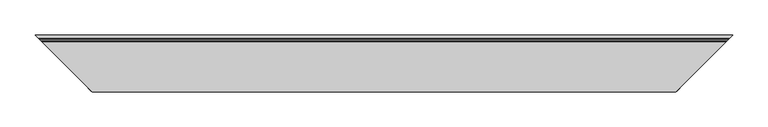
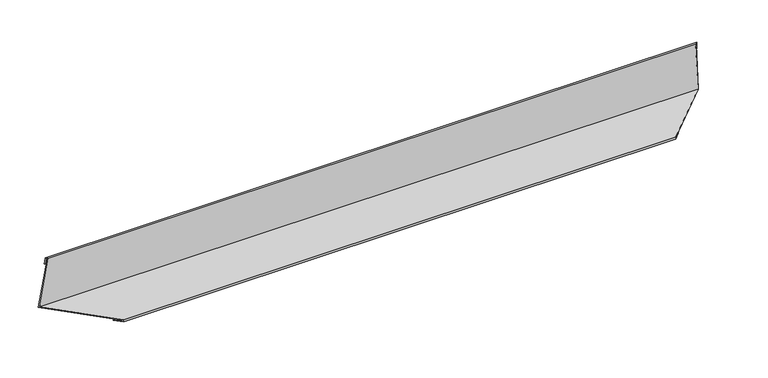
"""IFC4 building model written with IfcOpenShell, lengths in millimetres: proxy geometry."""

from ifc_helpers import new_model, si_unit, origin, place, context, project, spatial, faceted_brep, source, transform, mapped, element, save


def generic_models_74325ceb(model_context):
    return source(origin(), model_context, "Body", "Brep", [
        faceted_brep([(85.0275414, -85.0275414, 2.0), (75.0275414, -75.0275414, 2.0), (924.9724586, -75.0275414, 2.0), (914.9724586, -85.0275414, 2.0), (85.0275414, -85.0275414, 5.0), (914.9724586, -85.0275414, 5.0), (5.0275414, -5.0275414, 5.0), (994.9724586, -5.0275414, 5.0), (13.3898185, -13.3898185, 84.5617516), (986.6101815, -13.3898185, 84.5617516), (10.4062528, -10.4062528, 84.875337), (9.3609681, -9.3609681, 74.9301181), (10.35549, -10.35549, 74.8255896), (11.2962462, -11.2962462, 83.7762867), (12.2907681, -12.2907681, 83.6717582), (3.9169289, -3.9169289, 4.0), (84.0275414, -84.0275414, 4.0), (84.0275414, -84.0275414, 3.0), (75.0275414, -75.0275414, 3.0), (924.9724586, -75.0275414, 3.0), (915.9724586, -84.0275414, 3.0), (915.9724586, -84.0275414, 4.0), (996.0830711, -3.9169289, 4.0), (987.7092319, -12.2907681, 83.6717582), (988.7037538, -11.2962462, 83.7762867), (989.64451, -10.35549, 74.8255896), (990.6390319, -9.3609681, 74.9301181), (989.5937472, -10.4062528, 84.875337)], [[[0, 1, 2, 3]], [[4, 0, 3, 5]], [[6, 4, 5, 7]], [[8, 6, 7, 9]], [[1, 0, 4, 6, 8, 10, 11, 12, 13, 14, 15, 16, 17, 18]], [[3, 2, 19, 20, 21, 22, 23, 24, 25, 26, 27, 9, 7, 5]], [[10, 8, 9, 27]], [[11, 10, 27, 26]], [[12, 11, 26, 25]], [[13, 12, 25, 24]], [[14, 13, 24, 23]], [[15, 14, 23, 22]], [[16, 15, 22, 21]], [[17, 16, 21, 20]], [[18, 17, 20, 19]], [[1, 18, 19, 2]]]),
    ])


if __name__ == "__main__":
    model = new_model("IFC4")
    model_context = context("Model", 3, world=origin())
    ifc_project = project(units=[si_unit("LENGTHUNIT", "METRE", prefix="MILLI")], contexts=[model_context])
    site = spatial("IfcSite", under=ifc_project)
    building = spatial("IfcBuilding", under=site)
    placement = place(None, origin())
    generic_models_shape = generic_models_74325ceb(model_context)
    element("IfcBuildingElementProxy", 1, Name="Generic Models", at=placement, inside=building, context=model_context, shape_type="MappedRepresentation", body=[
        mapped(generic_models_shape, transform((0.0, 0.0, 0.0), x_axis=(1.0, 0.0, 0.0), y_axis=(0.0, 1.0, 0.0), z_axis=(0.0, 0.0, 1.0))),
    ])
    save(model, "model.ifc")
